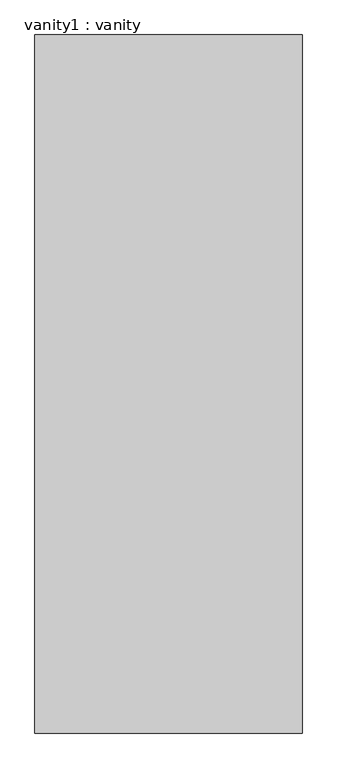
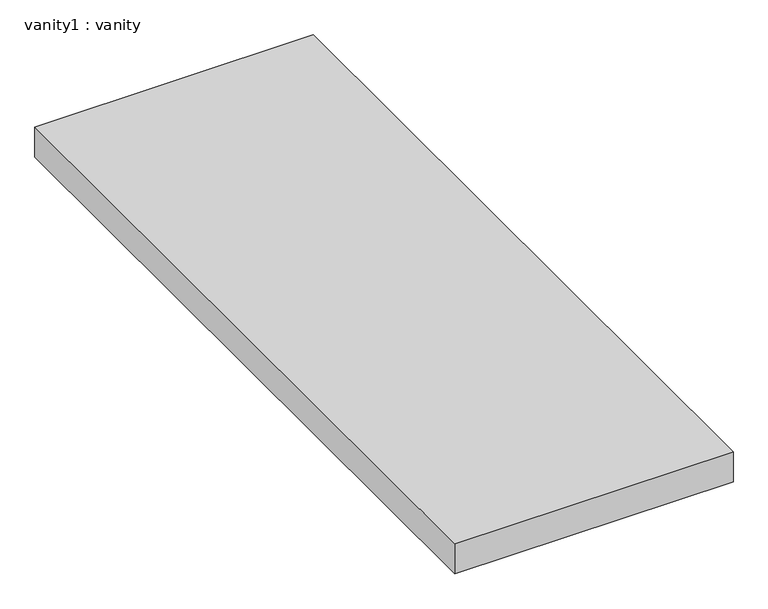
"""IFC4 building model written with IfcOpenShell, lengths in millimetres: furniture geometry, vanity1 : vanity."""

from ifc_helpers import new_model, si_unit, frame, origin, place, context, project, spatial, polyline, outline, extrude, source, transform, mapped, element, save


def vanity1_vanity_decadf4b(model_context):
    return source(origin(), model_context, "Body", "SweptSolid", [
        extrude(outline(polyline([(-6739.0849075, 2713.9720312), (-6739.0849075, 967.7220312), (-7407.2930445, 967.7220312), (-7407.2930445, 2713.9720312), (-6739.0849075, 2713.9720312)])), frame((0.0, 0.0, 40462.2), z_axis=(0.0, 0.0, 1.0), x_axis=(1.0, 0.0, 0.0)), (0.0, 0.0, 1.0), 76.2),
    ])


if __name__ == "__main__":
    model = new_model("IFC4")
    model_context = context("Model", 3, world=origin())
    ifc_project = project(units=[si_unit("LENGTHUNIT", "METRE", prefix="MILLI")], contexts=[model_context])
    site = spatial("IfcSite", under=ifc_project)
    building = spatial("IfcBuilding", under=site)
    placement = place(None, origin())
    vanity1_vanity_shape = vanity1_vanity_decadf4b(model_context)
    element("IfcFurniture", 1, ObjectType="vanity1 : vanity", at=placement, inside=building, context=model_context, shape_type="MappedRepresentation", body=[
        mapped(vanity1_vanity_shape, transform((0.0, 0.0, 0.0), x_axis=(1.0, 0.0, 0.0), y_axis=(0.0, 1.0, 0.0), z_axis=(0.0, 0.0, 1.0))),
    ])
    save(model, "model.ifc")
